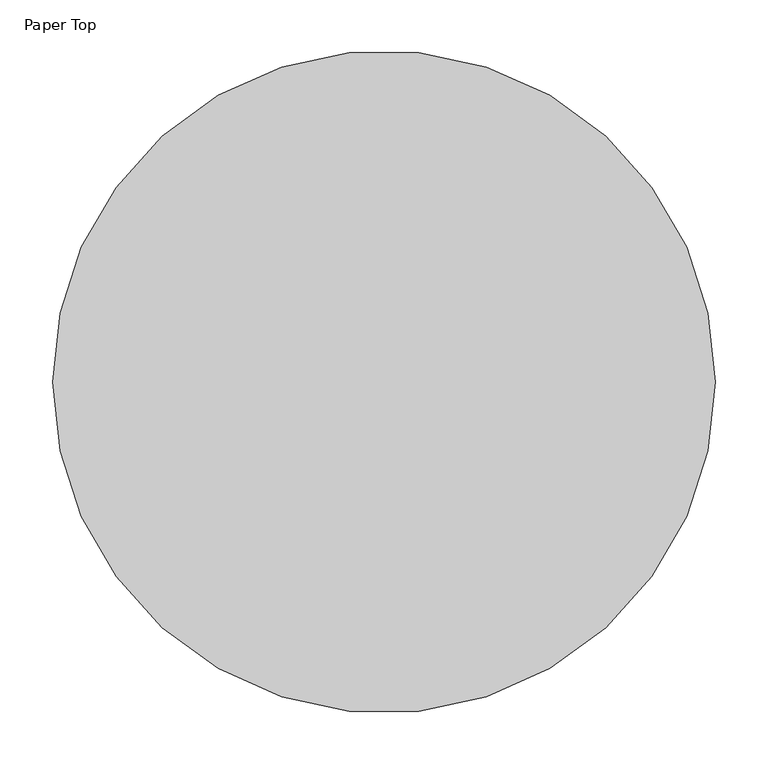
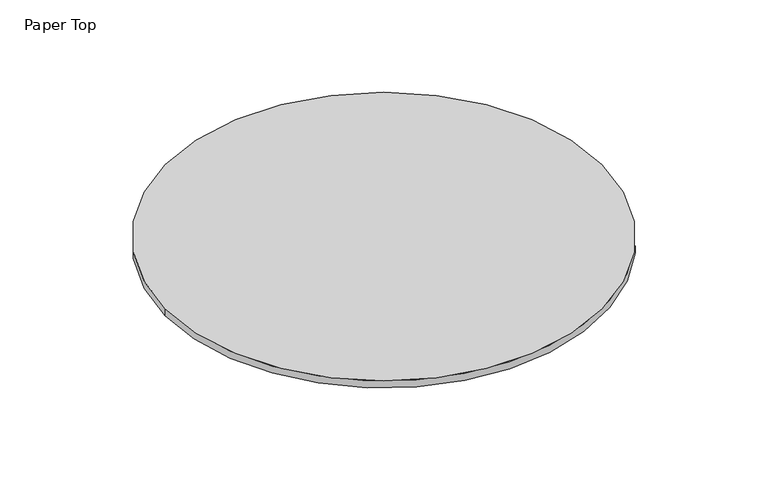
"""IFC4 building model written with IfcOpenShell, lengths in millimetres: furniture geometry, Paper Top."""

import ifcopenshell
import ifcopenshell.guid

model = None  # the IFC model being written
_history = None  # IfcOwnerHistory: only IFC2X3 demands one
_inside = {}  # id of a spatial element -> (the spatial element, [elements in it])
_under = {}  # id of a project, library or spatial element -> (it, [spatial elements below it])
_declared = {}  # id of a project -> (the project, [libraries it declares])
_typed = {}  # id of a type object -> (the type object, [elements of that type])
_made_of = {}  # id of a material, layer set ... -> (it, [elements and type objects made of it])


def new_model(schema):
    """Start an empty IFC model of exactly this schema.

    Asked for "IFC4X3", IfcOpenShell would pick the latest addendum, in which some entities
    have other attributes; the version numbers below select the first issue.
    IFC2X3 requires an IfcOwnerHistory on every rooted entity: one is made here for all.
    """
    global model, _history
    if schema == "IFC4X3":
        model = ifcopenshell.file(schema_version=(4, 3, 0, 0))
    else:
        model = ifcopenshell.file(schema=schema)
    _inside.clear()
    _under.clear()
    _declared.clear()
    _typed.clear()
    _made_of.clear()
    _history = None
    if model.schema == "IFC2X3":
        org = make("IfcOrganization", Name="unknown")
        user = make(
            "IfcPersonAndOrganization",
            ThePerson=make("IfcPerson", FamilyName="unknown"),
            TheOrganization=org,
        )
        app = make(
            "IfcApplication",
            ApplicationDeveloper=org,
            Version="unknown",
            ApplicationFullName="unknown",
            ApplicationIdentifier="unknown",
        )
        _history = make(
            "IfcOwnerHistory",
            OwningUser=user,
            OwningApplication=app,
            ChangeAction="ADDED",
            CreationDate=0,
        )
    return model


def make(cls, **values):
    """One entity of the class cls with the attributes given. An attribute that is None is left unset."""
    return model.create_entity(
        cls, **{name: value for name, value in values.items() if value is not None}
    )


def rooted(cls, **values):
    """An entity with a GlobalId (a new one), such as an element, a storey or a relation."""
    return make(cls, GlobalId=ifcopenshell.guid.new(), OwnerHistory=_history, **values)


def si_unit(unit_type, name, prefix=None):
    """IfcSIUnit, for example si_unit("LENGTHUNIT", "METRE", prefix="MILLI")."""
    return make("IfcSIUnit", UnitType=unit_type, Prefix=prefix, Name=name)


def assignment(units):
    """IfcUnitAssignment: the units of a project."""
    return None if units is None else make("IfcUnitAssignment", Units=units)


def point(xyz):
    """IfcCartesianPoint."""
    return None if xyz is None else make("IfcCartesianPoint", Coordinates=xyz)


def direction(xyz):
    """IfcDirection."""
    return None if xyz is None else make("IfcDirection", DirectionRatios=xyz)


def frame(location, z_axis=None, x_axis=None):
    """IfcAxis2Placement3D, a coordinate frame: its origin and axes. An axis left out is left unset."""
    return make(
        "IfcAxis2Placement3D",
        Location=point(location),
        Axis=direction(z_axis),
        RefDirection=direction(x_axis),
    )


def frame_2d(location, x_axis=None):
    """IfcAxis2Placement2D, a coordinate frame in the plane: its origin and x axis."""
    return make(
        "IfcAxis2Placement2D", Location=point(location), RefDirection=direction(x_axis)
    )


def origin():
    """The frame at (0, 0, 0) with its axes left unset."""
    return frame((0.0, 0.0, 0.0))


def origin_2d():
    """The frame at (0, 0) in the plane with its x axis left unset."""
    return frame_2d((0.0, 0.0))


def place(relative_to, where):
    """IfcLocalPlacement: puts the frame where relative to a parent placement (None: the world)."""
    return make(
        "IfcLocalPlacement", PlacementRelTo=relative_to, RelativePlacement=where
    )


def context(
    kind, dimensions, precision=None, world=None, true_north=None, identifier=None
):
    """IfcGeometricRepresentationContext, for example the 3D "Model" context."""
    return make(
        "IfcGeometricRepresentationContext",
        ContextIdentifier=identifier,
        ContextType=kind,
        CoordinateSpaceDimension=dimensions,
        Precision=precision,
        WorldCoordinateSystem=world,
        TrueNorth=true_north,
    )


def project(units=None, contexts=None):
    """IfcProject with its units and contexts."""
    return rooted(
        "IfcProject",
        Name="project",
        RepresentationContexts=contexts,
        UnitsInContext=assignment(units),
    )


def spatial(cls, under=None, at=None, **own):
    """A site, building, storey or space (cls), placed at a placement, below another one or the project."""
    s = rooted(cls, ObjectPlacement=at, **own)
    if under is not None:
        _under.setdefault(under.id(), (under, []))[1].append(s)
    return s


def circle_curve(where, radius):
    """IfcCircle in the frame where."""
    return make("IfcCircle", Position=where, Radius=radius)


def trimmed(basis, trim1, trim2, sense, master):
    """IfcTrimmedCurve: the piece of a basis curve between two trims."""
    return make(
        "IfcTrimmedCurve",
        BasisCurve=basis,
        Trim1=trim1,
        Trim2=trim2,
        SenseAgreement=sense,
        MasterRepresentation=master,
    )


def segment(curve, same_sense, transition):
    """IfcCompositeCurveSegment."""
    return make(
        "IfcCompositeCurveSegment",
        Transition=transition,
        SameSense=same_sense,
        ParentCurve=curve,
    )


def composite_curve(segments, self_intersect=None):
    """IfcCompositeCurve: segments joined end to end."""
    return make("IfcCompositeCurve", Segments=segments, SelfIntersect=self_intersect)


def outline(outer, holes=None, kind="AREA"):
    """IfcArbitraryClosedProfileDef: a profile drawn as a closed curve; with holes, ...WithVoids."""
    if holes is None:
        return make("IfcArbitraryClosedProfileDef", ProfileType=kind, OuterCurve=outer)
    return make(
        "IfcArbitraryProfileDefWithVoids",
        ProfileType=kind,
        OuterCurve=outer,
        InnerCurves=holes,
    )


def extrude(swept, where, along, depth):
    """IfcExtrudedAreaSolid: the profile swept, set in the frame where, extruded along a direction by depth."""
    return make(
        "IfcExtrudedAreaSolid",
        SweptArea=swept,
        Position=where,
        ExtrudedDirection=direction(along),
        Depth=depth,
    )


def shape(context_of_items, identifier, shape_type, items):
    """IfcShapeRepresentation: the items that make up one representation, for example the "Body"."""
    return make(
        "IfcShapeRepresentation",
        ContextOfItems=context_of_items,
        RepresentationIdentifier=identifier,
        RepresentationType=shape_type,
        Items=items,
    )


def source(mapping_origin, context_of_items, identifier, shape_type, items):
    """IfcRepresentationMap: a shape defined once, which mapped items show again and again."""
    return make(
        "IfcRepresentationMap",
        MappingOrigin=mapping_origin,
        MappedRepresentation=shape(context_of_items, identifier, shape_type, items),
    )


def transform(
    local_origin,
    x_axis=None,
    y_axis=None,
    z_axis=None,
    scale=None,
    scale2=None,
    scale3=None,
    uniform=True,
):
    """IfcCartesianTransformationOperator3D, or its non-uniform kind. x_axis, y_axis, z_axis: its Axis1, 2, 3."""
    if uniform:
        return make(
            "IfcCartesianTransformationOperator3D",
            Axis1=direction(x_axis),
            Axis2=direction(y_axis),
            LocalOrigin=point(local_origin),
            Scale=scale,
            Axis3=direction(z_axis),
        )
    return make(
        "IfcCartesianTransformationOperator3DnonUniform",
        Axis1=direction(x_axis),
        Axis2=direction(y_axis),
        LocalOrigin=point(local_origin),
        Scale=scale,
        Axis3=direction(z_axis),
        Scale2=scale2,
        Scale3=scale3,
    )


def mapped(mapping_source, mapping_target):
    """IfcMappedItem: shows the shape of a source again, moved by a transform."""
    return make(
        "IfcMappedItem", MappingSource=mapping_source, MappingTarget=mapping_target
    )


def made_of(thing, what):
    """Note that an element or type object is made of a material, layer set ...; save() writes the relation."""
    if what is not None:
        _made_of.setdefault(what.id(), (what, []))[1].append(thing)
    return thing


def element(
    cls,
    number,
    at=None,
    inside=None,
    cuts=None,
    type_object=None,
    material=None,
    context=None,
    identifier="Body",
    shape_type=None,
    held_by="IfcProductDefinitionShape",
    body=None,
    shapes=None,
    **own,
):
    """One element of the class cls, such as IfcWall. Its Tag is "e" and its number.

    at: its placement. inside: the storey or other place that contains it. cuts: it is an
    opening in that element (IfcRelVoidsElement). A single representation is given by context,
    identifier, shape_type and body (its items); several are given by shapes. held_by: the class
    of the entity that holds the representations. save() writes the other relations.
    """
    e = rooted(cls, Tag="e%d" % number, ObjectPlacement=at, **own)
    if body is not None:
        shapes = [shape(context, identifier, shape_type, body)]
    if shapes is not None:
        e.Representation = make(held_by, Representations=shapes)
    if inside is not None:
        _inside.setdefault(inside.id(), (inside, []))[1].append(e)
    if cuts is not None:
        rooted(
            "IfcRelVoidsElement", RelatingBuildingElement=cuts, RelatedOpeningElement=e
        )
    if type_object is not None:
        _typed.setdefault(type_object.id(), (type_object, []))[1].append(e)
    return made_of(e, material)


def aggregate(whole, parts):
    """IfcRelAggregates: a whole, such as a stair, and the parts it consists of."""
    return rooted("IfcRelAggregates", RelatingObject=whole, RelatedObjects=parts)


def save(model, path):
    """Write the relations noted so far, then the file.

    IfcRelAggregates (storeys below a building ...), IfcRelContainedInSpatialStructure (elements
    in a storey), IfcRelDefinesByType, IfcRelAssociatesMaterial and IfcRelDeclares: one each for
    every whole, place, type object, material and project.
    """
    for whole, parts in _under.values():
        aggregate(whole, parts)
    for where, things in _inside.values():
        rooted(
            "IfcRelContainedInSpatialStructure",
            RelatedElements=things,
            RelatingStructure=where,
        )
    for kind, things in _typed.values():
        rooted("IfcRelDefinesByType", RelatedObjects=things, RelatingType=kind)
    for what, things in _made_of.values():
        rooted("IfcRelAssociatesMaterial", RelatedObjects=things, RelatingMaterial=what)
    for by, libraries in _declared.values():
        rooted("IfcRelDeclares", RelatingContext=by, RelatedDefinitions=libraries)
    model.write(path)


def paper_top_5563e197(model_context):
    return source(origin(), model_context, "Body", "SweptSolid", [
        extrude(outline(composite_curve([segment(trimmed(circle_curve(origin_2d(), 313.4233), [point((-313.4233, 0.0))], [point((313.4233, 0.0))], False, "CARTESIAN"), True, "CONTINUOUS"), segment(trimmed(circle_curve(origin_2d(), 313.4233), [point((313.4233, 0.0))], [point((-313.4233, 0.0))], False, "CARTESIAN"), True, "CONTINUOUS")], self_intersect=False)), frame((0.0, 0.0, 559.1211053), z_axis=(0.0, 0.0, 1.0), x_axis=(1.0, 0.0, 0.0)), (0.0, 0.0, 1.0), 10.5754947),
    ])


if __name__ == "__main__":
    model = new_model("IFC4")
    model_context = context("Model", 3, world=origin())
    ifc_project = project(units=[si_unit("LENGTHUNIT", "METRE", prefix="MILLI")], contexts=[model_context])
    site = spatial("IfcSite", under=ifc_project)
    building = spatial("IfcBuilding", under=site)
    placement = place(None, origin())
    paper_top_shape = paper_top_5563e197(model_context)
    element("IfcFurniture", 1, ObjectType="Paper Top", at=placement, inside=building, context=model_context, shape_type="MappedRepresentation", body=[
        mapped(paper_top_shape, transform((0.0, 0.0, 0.0), x_axis=(1.0, 0.0, 0.0), y_axis=(0.0, 1.0, 0.0), z_axis=(0.0, 0.0, 1.0))),
    ])
    save(model, "model.ifc")
